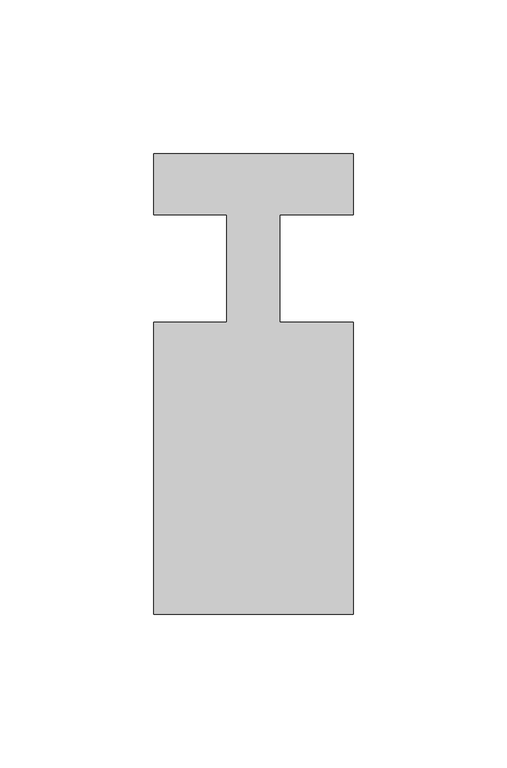
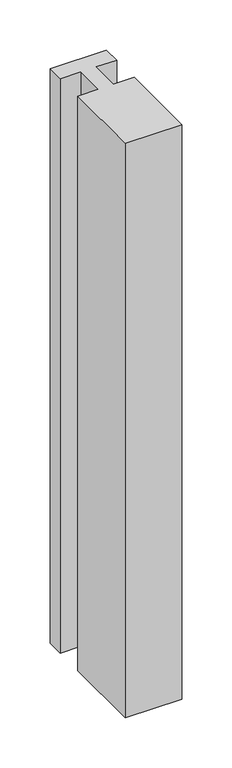
"""IFC4 building model written with IfcOpenShell, lengths in millimetres: member geometry."""

from ifc_helpers import new_model, si_unit, frame, origin, place, context, project, spatial, polyline, outline, extrude, source, transform, mapped, element, save


def member_5da64131(model_context):
    return source(origin(), model_context, "Body", "SweptSolid", [
        extrude(outline(polyline([(0.0, 37.0), (0.0, 17.0), (-23.8125, 17.0), (-23.8125, -18.0), (0.0, -18.0), (0.0, -113.0), (-65.0, -113.0), (-65.0, -18.0), (-41.1875, -18.0), (-41.1875, 17.0), (-65.0, 17.0), (-65.0, 37.0), (0.0, 37.0)])), frame((0.0, 0.0, -700.0), z_axis=(0.0, 0.0, 1.0), x_axis=(1.0, 0.0, 0.0)), (0.0, 0.0, 1.0), 700.0),
    ])


if __name__ == "__main__":
    model = new_model("IFC4")
    model_context = context("Model", 3, world=origin())
    ifc_project = project(units=[si_unit("LENGTHUNIT", "METRE", prefix="MILLI")], contexts=[model_context])
    site = spatial("IfcSite", under=ifc_project)
    building = spatial("IfcBuilding", under=site)
    placement = place(None, origin())
    member_shape = member_5da64131(model_context)
    element("IfcMember", 1, at=placement, inside=building, context=model_context, shape_type="MappedRepresentation", body=[
        mapped(member_shape, transform((0.0, 0.0, 0.0), x_axis=(1.0, 0.0, 0.0), y_axis=(0.0, 1.0, 0.0), z_axis=(0.0, 0.0, 1.0))),
    ])
    save(model, "model.ifc")
